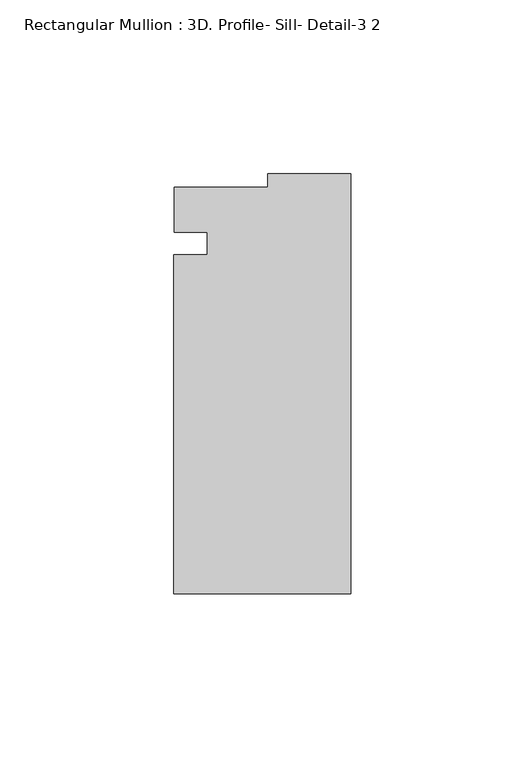
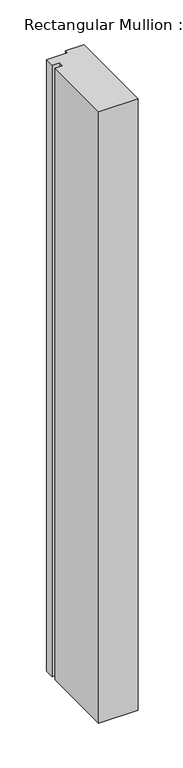
"""IFC4 building model written with IfcOpenShell, lengths in millimetres: member geometry, Rectangular Mullion : 3D. Profile- Sill- Detail-3 2."""

from ifc_helpers import new_model, si_unit, frame, origin, place, context, project, spatial, polyline, outline, extrude, source, transform, mapped, element, save


def rectangular_mullion_3d_profile_sill_detail_3_2_a00513bd(model_context):
    return source(origin(), model_context, "Body", "SweptSolid", [
        extrude(outline(polyline([(-50.8, -43.2755612), (-50.8, 54.1496142), (-41.275, 54.1496142), (-41.275, 60.5898526), (-50.7758192, 60.5898526), (-50.7758192, 73.5745988), (-23.7756192, 73.5745988), (-23.7756192, 77.3744388), (0.0, 77.3744388), (0.0, -43.2755612), (-50.8, -43.2755612)])), frame((0.0, 0.0, -832.4232521), z_axis=(0.0, 0.0, 1.0), x_axis=(1.0, 0.0, 0.0)), (0.0, 0.0, 1.0), 832.4232521),
    ])


if __name__ == "__main__":
    model = new_model("IFC4")
    model_context = context("Model", 3, world=origin())
    ifc_project = project(units=[si_unit("LENGTHUNIT", "METRE", prefix="MILLI")], contexts=[model_context])
    site = spatial("IfcSite", under=ifc_project)
    building = spatial("IfcBuilding", under=site)
    placement = place(None, origin())
    rectangular_mullion_3d_profile_sill_detail_3_2_shape = rectangular_mullion_3d_profile_sill_detail_3_2_a00513bd(model_context)
    element("IfcMember", 1, ObjectType="Rectangular Mullion : 3D. Profile- Sill- Detail-3 2", at=placement, inside=building, context=model_context, shape_type="MappedRepresentation", body=[
        mapped(rectangular_mullion_3d_profile_sill_detail_3_2_shape, transform((0.0, 0.0, 0.0), x_axis=(1.0, 0.0, 0.0), y_axis=(0.0, 1.0, 0.0), z_axis=(0.0, 0.0, 1.0))),
    ])
    save(model, "model.ifc")
